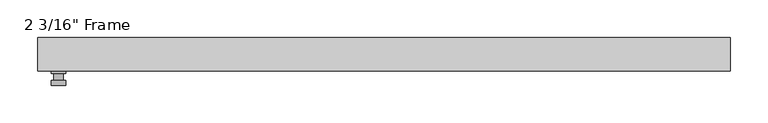
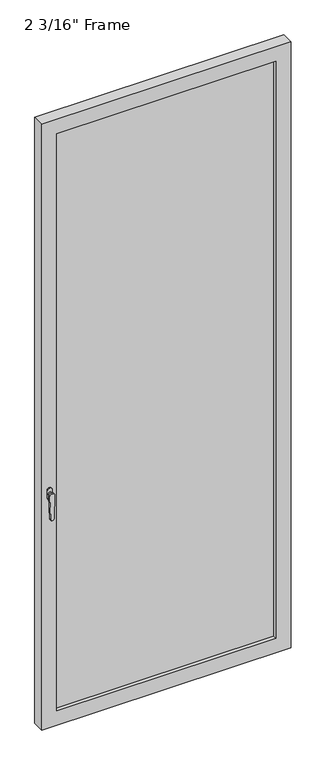
"""IFC4 building model written with IfcOpenShell, lengths in millimetres: plate geometry."""

from ifc_helpers import new_model, si_unit, frame, origin, place, context, project, spatial, polyline, circle_curve, outline, extrude, faceted_brep, source, transform, mapped, element, save
from ifc_brep_helpers import plane_surface, cylinder_surface, advanced_brep


def plate_ad2cc67a(model_context):
    return source(origin(), model_context, "Body", "SolidModel", [
        advanced_brep(
        [(-422.5395833, -22.225, 927.1), (-422.5395833, -22.225, 901.7), (-441.5895833, -22.225, 901.7), (-441.5895833, -22.225, 927.1), (-425.7145833, -34.925, 914.4), (-438.4145833, -34.925, 914.4), (-438.4145833, -25.4, 914.4), (-425.7145833, -25.4, 914.4), (-422.5395833, -34.925, 914.4), (-425.7186189, -34.925, 825.2736467), (-438.4105477, -34.925, 825.2736467), (-441.5895833, -34.925, 914.4), (-422.5395833, -41.275, 914.4), (-441.5895833, -41.275, 914.4), (-438.4105477, -41.275, 825.2736467), (-425.7186189, -41.275, 825.2736467), (-422.5395833, -25.4, 927.1), (-441.5895833, -25.4, 927.1), (-441.5895833, -25.4, 901.7), (-422.5395833, -25.4, 901.7)],
        [
            (0, 1),
            (1, 2, circle_curve(frame((-432.0645833, -22.225, 901.7), z_axis=(0.0, 1.0, 0.0), x_axis=(-1.0, 0.0, 0.0)), 9.525)),
            (2, 3),
            (3, 0, circle_curve(frame((-432.0645833, -22.225, 927.1), z_axis=(0.0, 1.0, 0.0), x_axis=(-1.0, 0.0, 0.0)), 9.525)),
            (4, 5, circle_curve(frame((-432.0645833, -34.925, 914.4), z_axis=(0.0, 1.0, 0.0), x_axis=(-1.0, 0.0, 0.0)), 6.35)),
            (5, 6),
            (6, 7, circle_curve(frame((-432.0645833, -25.4, 914.4), z_axis=(0.0, -1.0, 0.0), x_axis=(-1.0, 0.0, 0.0)), 6.35)),
            (7, 4),
            (5, 4, circle_curve(frame((-432.0645833, -34.925, 914.4), z_axis=(0.0, 1.0, 0.0), x_axis=(-1.0, 0.0, 0.0)), 6.35)),
            (7, 6, circle_curve(frame((-432.0645833, -25.4, 914.4), z_axis=(0.0, -1.0, 0.0), x_axis=(-1.0, 0.0, 0.0)), 6.35)),
            (8, 9),
            (9, 10, circle_curve(frame((-432.0645833, -34.925, 825.5), z_axis=(0.0, 1.0, 0.0), x_axis=(-1.0, 0.0, 0.0)), 6.35)),
            (10, 11),
            (11, 8, circle_curve(frame((-432.0645833, -34.925, 914.4), z_axis=(0.0, 1.0, 0.0), x_axis=(-1.0, 0.0, 0.0)), 9.525)),
            (12, 13, circle_curve(frame((-432.0645833, -41.275, 914.4), z_axis=(0.0, -1.0, 0.0), x_axis=(-1.0, 0.0, 0.0)), 9.525)),
            (13, 14),
            (14, 15, circle_curve(frame((-432.0645833, -41.275, 825.5), z_axis=(0.0, -1.0, 0.0), x_axis=(-1.0, 0.0, 0.0)), 6.35)),
            (15, 12),
            (8, 12),
            (15, 9),
            (14, 10),
            (13, 11),
            (16, 17, circle_curve(frame((-432.0645833, -25.4, 927.1), z_axis=(0.0, -1.0, 0.0), x_axis=(-1.0, 0.0, 0.0)), 9.525)),
            (17, 18),
            (18, 19, circle_curve(frame((-432.0645833, -25.4, 901.7), z_axis=(0.0, -1.0, 0.0), x_axis=(-1.0, 0.0, 0.0)), 9.525)),
            (19, 16),
            (0, 16),
            (19, 1),
            (18, 2),
            (17, 3),
        ],
        [
            plane_surface(frame((-438.4145833, -22.225, 914.4), z_axis=(0.0, 1.0, 0.0), x_axis=(0.0, 0.0, 1.0))),
            cylinder_surface(frame((-432.0645833, -34.925, 914.4), z_axis=(0.0, 1.0, 0.0), x_axis=(-1.0, 0.0, 0.0)), 6.35),
            plane_surface(frame((-422.5395833, -34.925, 914.4), z_axis=(0.0, 1.0000000000000002, 0.0), x_axis=(-0.03564619348186888, 0.0, -0.9993644724975235))),
            plane_surface(frame((-422.5395833, -41.275, 914.4), z_axis=(0.0, -1.0000000000000002, 0.0), x_axis=(0.03564619348186888, 0.0, 0.9993644724975235))),
            plane_surface(frame((-422.5395833, -34.925, 914.4), z_axis=(0.9993644724975235, 0.0, -0.03564619348186888), x_axis=(0.0, -1.0, 0.0))),
            cylinder_surface(frame((-432.0645833, -41.275, 825.5), z_axis=(0.0, 1.0, 0.0), x_axis=(-1.0, 0.0, 0.0)), 6.35),
            plane_surface(frame((-438.4105477, -34.925, 825.2736467), z_axis=(-0.9993644724975228, 0.0, -0.03564619348188612), x_axis=(0.0, -1.0, 0.0))),
            cylinder_surface(frame((-432.0645833, -41.275, 914.4), z_axis=(0.0, 1.0, 0.0), x_axis=(-1.0, 0.0, 0.0)), 9.525),
            plane_surface(frame((-422.5395833, -25.4, 901.7), z_axis=(0.0, -1.0, 0.0), x_axis=(0.0, 0.0, 1.0))),
            plane_surface(frame((-422.5395833, -22.225, 927.1), z_axis=(1.0, 0.0, 0.0), x_axis=(0.0, -1.0, 0.0))),
            cylinder_surface(frame((-432.0645833, -25.4, 901.7), z_axis=(0.0, 1.0, 0.0), x_axis=(-1.0, 0.0, 0.0)), 9.525),
            plane_surface(frame((-441.5895833, -22.225, 901.7), z_axis=(-1.0, 0.0, 0.0), x_axis=(0.0, -1.0, 0.0))),
            cylinder_surface(frame((-432.0645833, -25.4, 927.1), z_axis=(0.0, 1.0, 0.0), x_axis=(-1.0, 0.0, 0.0)), 9.525),
        ],
        [
            (0, [[1, 2, 3, 4]]),
            (1, [[5, 6, 7, 8]]),
            (1, [[9, -8, 10, -6]]),
            (2, [[11, 12, 13, 14], [-5, -9]]),
            (3, [[15, 16, 17, 18]]),
            (4, [[-11, 19, -18, 20]]),
            (5, [[-12, -20, -17, 21]]),
            (6, [[-13, -21, -16, 22]]),
            (7, [[-14, -22, -15, -19]]),
            (8, [[23, 24, 25, 26], [-7, -10]]),
            (9, [[-1, 27, -26, 28]]),
            (10, [[-2, -28, -25, 29]]),
            (11, [[-3, -29, -24, 30]]),
            (12, [[-4, -30, -23, -27]]),
        ],
    ),
        faceted_brep([(-459.8458333, -22.225, 0.0), (-459.8458333, 22.225, 0.0), (459.8458333, 22.225, 0.0), (459.8458333, -22.225, 0.0), (-404.2833333, 22.225, 2306.6375), (-404.2833333, 15.875, 2306.6375), (-404.2833333, 15.875, 55.5625), (-404.2833333, 22.225, 55.5625), (416.9833333, 15.875, 2319.3375), (-416.9833333, 15.875, 2319.3375), (-416.9833333, 15.875, 42.8625), (416.9833333, 15.875, 42.8625), (404.2833333, 15.875, 2306.6375), (404.2833333, 15.875, 55.5625), (-416.9833333, -7.9375, 2319.3375), (-416.9833333, -7.9375, 42.8625), (416.9833333, -7.9375, 2319.3375), (416.9833333, -7.9375, 42.8625), (-404.2833333, -7.9375, 2306.6375), (-404.2833333, -7.9375, 55.5625), (404.2833333, -7.9375, 55.5625), (404.2833333, -7.9375, 2306.6375), (-404.2833333, -22.225, 2306.6375), (-404.2833333, -22.225, 55.5625), (459.8458333, -22.225, 2362.2), (-459.8458333, -22.225, 2362.2), (404.2833333, -22.225, 2306.6375), (404.2833333, -22.225, 55.5625), (-459.8458333, 22.225, 2362.2), (459.8458333, 22.225, 2362.2), (404.2833333, 22.225, 55.5625), (404.2833333, 22.225, 2306.6375)], [[[0, 1, 2, 3]], [[4, 5, 6, 7]], [[8, 9, 10, 11], [5, 12, 13, 6]], [[10, 9, 14, 15]], [[14, 16, 17, 15], [18, 19, 20, 21]], [[18, 22, 23, 19]], [[0, 3, 24, 25], [22, 26, 27, 23]], [[1, 0, 25, 28]], [[2, 1, 28, 29], [4, 7, 30, 31]], [[5, 4, 31, 12]], [[9, 8, 16, 14]], [[18, 21, 26, 22]], [[25, 24, 29, 28]], [[12, 31, 30, 13]], [[17, 16, 8, 11]], [[26, 21, 20, 27]], [[24, 3, 2, 29]], [[23, 27, 20, 19]], [[11, 10, 15, 17]], [[6, 13, 30, 7]]]),
        extrude(outline(polyline([(416.9833333, -7.9375), (-416.9833333, -7.9375), (-416.9833333, 15.875), (416.9833333, 15.875), (416.9833333, -7.9375)])), frame((0.0, 0.0, 42.8625), z_axis=(0.0, 0.0, 1.0), x_axis=(1.0, 0.0, 0.0)), (0.0, 0.0, 1.0), 2276.475),
    ])


if __name__ == "__main__":
    model = new_model("IFC4")
    model_context = context("Model", 3, world=origin())
    ifc_project = project(units=[si_unit("LENGTHUNIT", "METRE", prefix="MILLI")], contexts=[model_context])
    site = spatial("IfcSite", under=ifc_project)
    building = spatial("IfcBuilding", under=site)
    placement = place(None, origin())
    plate_shape = plate_ad2cc67a(model_context)
    element("IfcPlate", 1, ObjectType="2 3/16\" Frame", at=placement, inside=building, context=model_context, shape_type="MappedRepresentation", body=[
        mapped(plate_shape, transform((0.0, 0.0, 0.0), x_axis=(1.0, 0.0, 0.0), y_axis=(0.0, 1.0, 0.0), z_axis=(0.0, 0.0, 1.0))),
    ])
    save(model, "model.ifc")
